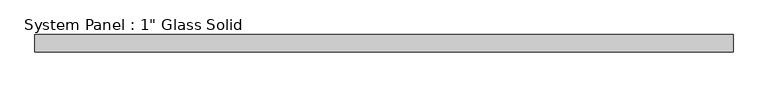
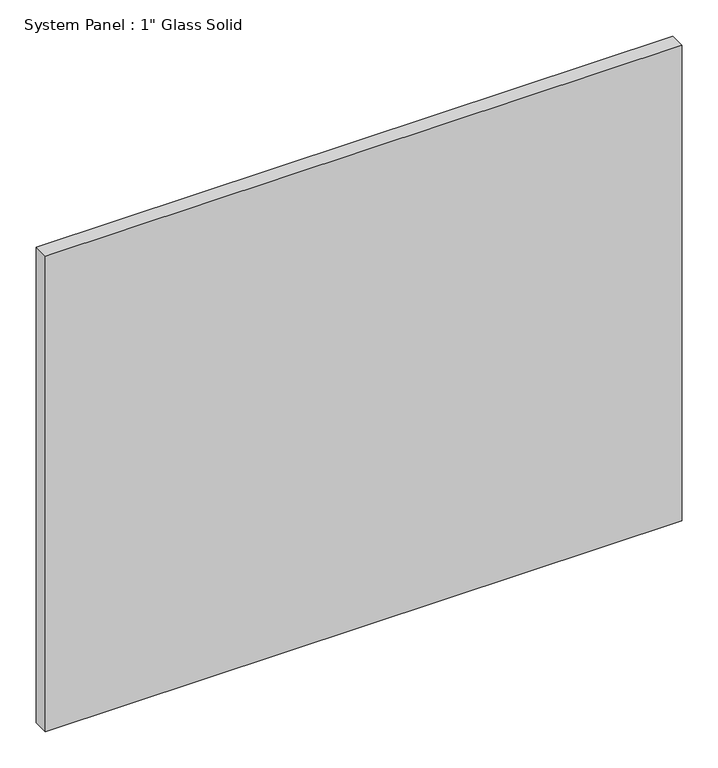
"""IFC4 building model written with IfcOpenShell, lengths in millimetres: plate geometry."""

from ifc_helpers import new_model, si_unit, origin, origin_with_axes, place, context, project, spatial, polyline, outline, extrude, source, transform, mapped, element, save


def plate_55bfc177(model_context):
    return source(origin(), model_context, "Body", "SweptSolid", [
        extrude(outline(polyline([(510.6458333, -12.7), (-510.6458333, -12.7), (-510.6458333, 12.7), (510.6458333, 12.7), (510.6458333, -12.7)])), origin_with_axes(), (0.0, 0.0, 1.0), 806.45),
    ])


if __name__ == "__main__":
    model = new_model("IFC4")
    model_context = context("Model", 3, world=origin())
    ifc_project = project(units=[si_unit("LENGTHUNIT", "METRE", prefix="MILLI")], contexts=[model_context])
    site = spatial("IfcSite", under=ifc_project)
    building = spatial("IfcBuilding", under=site)
    placement = place(None, origin())
    plate_shape = plate_55bfc177(model_context)
    element("IfcPlate", 1, ObjectType="System Panel : 1\" Glass Solid", at=placement, inside=building, context=model_context, shape_type="MappedRepresentation", body=[
        mapped(plate_shape, transform((0.0, 0.0, 0.0), x_axis=(1.0, 0.0, 0.0), y_axis=(0.0, 1.0, 0.0), z_axis=(0.0, 0.0, 1.0))),
    ])
    save(model, "model.ifc")
